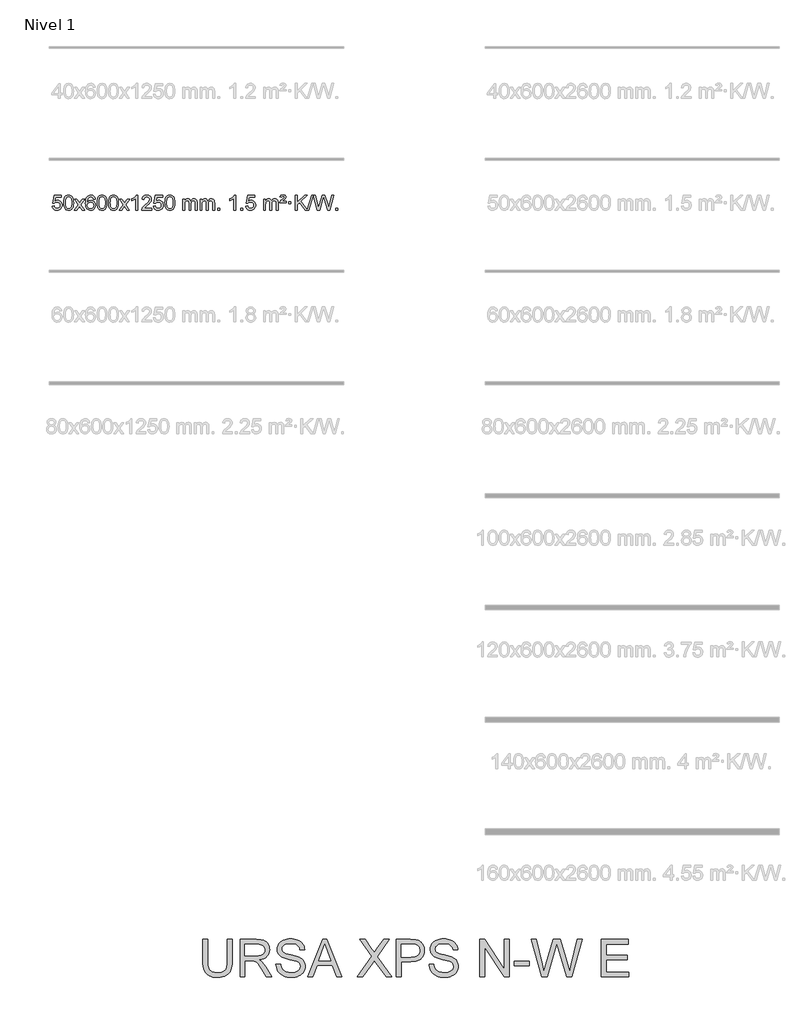
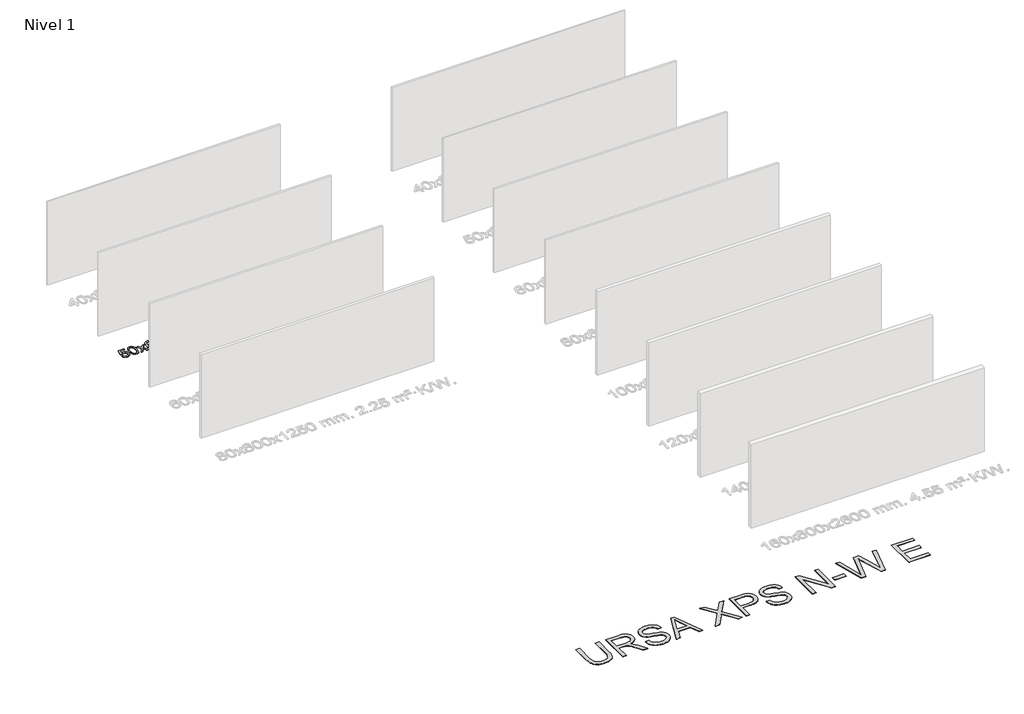
# One storey, part 3 of 12: 2 proxies.
"""IFC4 building model written with IfcOpenShell, lengths in millimetres."""

from ifc_helpers import new_model, si_unit, origin, origin_with_axes, place, context, project, spatial, polyline, outline, extrude, element, save

model = new_model("IFC4")

# Units and contexts
model_context = context("Model", 3, world=origin())
ifc_project = project(units=[si_unit("LENGTHUNIT", "METRE", prefix="MILLI")], contexts=[model_context])

# Site, building, storey
site = spatial("IfcSite", under=ifc_project)
building = spatial("IfcBuilding", under=site)
storey = spatial("IfcBuildingStorey", under=building, Name="Nivel 1", Elevation=0.0)

# Proxies
placement = place(None, origin())
element("IfcBuildingElementProxy", 1, Name="Texto de modelo 1", ObjectType="Texto de modelo 1", at=placement, inside=storey, context=model_context, shape_type="SweptSolid", body=[
    extrude(outline(polyline([(-6456.1697105, -284.8446235), (-6405.9415554, -278.5661041), (-6396.71998, -308.7201649), (-6380.6312741, -330.3148381), (-6357.749014, -343.3010725), (-6328.1467761, -347.6298173), (-6309.0169124, -346.1245668), (-6292.1433915, -341.6088153), (-6277.5262136, -334.0825628), (-6265.1653786, -323.5458094), (-6255.3367979, -310.519721), (-6248.3163832, -295.5254641), (-6242.7000514, -259.6324441), (-6247.9607639, -225.8363514), (-6254.5366546, -211.9181493), (-6263.7429015, -199.9865099), (-6275.6101615, -190.4154467), (-6290.1690915, -183.5789729), (-6327.3619612, -178.1097939), (-6351.728012, -180.2925604), (-6371.4587497, -186.8408599), (-6387.2163618, -196.8717757), (-6399.663036, -209.5023908), (-6449.8911911, -203.2238715), (-6405.9415554, 3.9672682), (-6211.3074545, 3.9672682), (-6211.3074545, -46.2608869), (-6365.3273831, -46.2608869), (-6386.8116916, -156.919791), (-6369.0859108, -144.2155994), (-6350.9309344, -135.1411769), (-6332.3467623, -129.6965234), (-6313.3333945, -127.8816388), (-6288.8723075, -130.1318504), (-6266.4039146, -136.882485), (-6245.9282159, -148.1335427), (-6227.4452113, -163.8850234), (-6212.144386, -183.1743027), (-6201.2152251, -205.038756), (-6194.6577285, -229.4783832), (-6192.4718963, -256.4931844), (-6194.440065, -282.5147042), (-6200.344571, -306.7213394), (-6210.1854144, -329.1130902), (-6223.9625951, -349.6899565), (-6244.833767, -370.7634634), (-6269.187555, -385.8159684), (-6297.0239593, -394.8474714), (-6328.3429799, -397.8579724), (-6354.2633321, -395.9235262), (-6377.6759554, -390.1201877), (-6398.5808498, -380.447957), (-6416.9780152, -366.9068338), (-6432.2849719, -350.1712688), (-6443.91924, -330.915712), (-6451.8808195, -309.1401636), (-6456.1697105, -284.8446235)])), origin_with_axes(), (0.0, 0.0, 1.0), 10.0),
    extrude(outline(polyline([(-6148.5222606, -193.9041943), (-6144.8311779, -129.5861588), (-6133.7579299, -78.2911459), (-6115.4128811, -39.2343407), (-6103.5548181, -24.0009605), (-6089.9063961, -11.6309284), (-6074.4216298, -2.0598651), (-6057.0545339, 4.7766086), (-6016.6733536, 10.2457876), (-5985.722215, 7.008426), (-5958.0084381, -2.7036586), (-5934.8318724, -18.5103217), (-5917.4923677, -40.0314184), (-5904.3957686, -67.0830078), (-5893.94792, -99.4811488), (-5887.1053149, -140.6226186), (-5884.8244465, -193.9041943), (-5888.478741, -257.8543477), (-5899.4416244, -309.0267333), (-5917.6763087, -348.1203266), (-5929.5067805, -363.3996922), (-5943.1460055, -375.8341036), (-5958.6491659, -385.4695462), (-5976.071444, -392.3520052), (-6016.6733536, -397.8579724), (-6044.3380796, -395.4667394), (-6068.8635459, -388.2930405), (-6090.2497526, -376.3368757), (-6108.4966996, -359.5982449), (-6126.0078825, -329.3399508), (-6138.5158704, -291.6381776), (-6146.0206631, -246.4929255), (-6148.5222606, -193.9041943)]), holes=[polyline([(-6098.2941056, -193.8060924), (-6096.8225776, -237.4706195), (-6092.4079936, -272.8148822), (-6085.0503537, -299.8388804), (-6074.7496579, -318.5426142), (-6062.290721, -331.2682656), (-6048.4583579, -340.3580165), (-6033.2525688, -345.8118671), (-6016.6733536, -347.6298173), (-6000.0941383, -345.8057357), (-5984.8883492, -340.3334911), (-5971.0559862, -331.2130833), (-5958.5970493, -318.4445124), (-5948.2963534, -299.7101217), (-5940.9387135, -272.6922549), (-5936.5241295, -237.3909118), (-5935.0526016, -193.8060924), (-5936.4750786, -151.2973278), (-5940.7425098, -116.5753989), (-5947.854895, -89.6403055), (-5957.8122343, -70.4920476), (-5970.0627048, -57.1440625), (-5984.0544833, -47.6097875), (-5999.78757, -41.8892225), (-6017.2619648, -39.9823675), (-6033.7553409, -41.6623619), (-6048.7036126, -46.7023452), (-6062.10678, -55.1023175), (-6073.9648429, -66.8622786), (-6084.6088953, -87.708925), (-6092.2117899, -115.8151094), (-6096.7735266, -151.1808319), (-6098.2941056, -193.8060924)])]), origin_with_axes(), (0.0, 0.0, 1.0), 10.0),
    extrude(outline(polyline([(-5859.7103689, -391.579453), (-5752.3869282, -243.2494325), (-5853.4318496, -96.4890419), (-5793.0011005, -96.4890419), (-5744.2444734, -167.122385), (-5721.4848406, -200.4770192), (-5701.7663657, -173.2047007), (-5646.2407099, -96.4890419), (-5585.8099608, -96.4890419), (-5691.9561791, -243.2494325), (-5589.7340354, -391.579453), (-5650.1647845, -391.579453), (-5711.6746541, -302.4048574), (-5722.9563686, -286.1199477), (-5799.2796199, -391.579453), (-5859.7103689, -391.579453)])), origin_with_axes(), (0.0, 0.0, 1.0), 10.0),
    extrude(outline(polyline([(-5300.9221437, -96.4890419), (-5351.1502988, -102.7675613), (-5359.2437027, -77.874213), (-5370.1820607, -60.8780648), (-5392.9662189, -45.2062918), (-5420.5083176, -39.9823675), (-5443.8565616, -43.0235253), (-5465.8313794, -52.1469988), (-5484.7037258, -71.3627017), (-5500.1179814, -97.8134171), (-5510.5290419, -135.227016), (-5514.3918028, -187.3313693), (-5494.2441322, -163.8237098), (-5470.0988106, -147.2567573), (-5443.3047386, -137.434308), (-5415.2108169, -134.1601582), (-5391.077758, -136.398107), (-5368.8086346, -143.1119534), (-5348.4034466, -154.3016975), (-5329.862194, -169.9673391), (-5314.4540698, -189.1769106), (-5303.4482668, -210.9984443), (-5296.844785, -235.4319401), (-5294.6436244, -262.4773982), (-5298.7884282, -298.4439945), (-5311.2228396, -331.786366), (-5330.9167891, -360.0642287), (-5356.840207, -380.8372987), (-5387.815871, -393.602804), (-5422.6665587, -397.8579724), (-5452.6090874, -395.0375437), (-5479.6514797, -386.5762579), (-5503.7937357, -372.4741147), (-5525.0358552, -352.7311143), (-5542.3539001, -326.5133908), (-5554.7239322, -292.9870783), (-5562.1459515, -252.1521768), (-5564.6199579, -204.0086864), (-5561.8731057, -150.0342663), (-5553.632549, -103.9693092), (-5539.8982878, -65.8138149), (-5520.6703222, -35.5677835), (-5499.8298072, -15.5243462), (-5475.6660915, -1.2076052), (-5448.179175, 7.3824394), (-5417.3690579, 10.2457876), (-5394.2354118, 8.4738227), (-5373.2967949, 3.1579278), (-5354.5532073, -5.7018969), (-5338.0046489, -18.1056515), (-5324.0987094, -33.6364031), (-5313.2829788, -51.8772186), (-5305.5574569, -72.8280983), (-5300.9221437, -96.4890419)]), holes=[polyline([(-5514.3918028, -261.6925832), (-5511.485535, -283.9494439), (-5502.7667318, -305.2007605), (-5489.2286743, -323.472233), (-5471.8646442, -336.7895612), (-5450.9076332, -344.9197533), (-5426.5906333, -347.6298173), (-5393.4444655, -342.0134855), (-5379.5293291, -334.9930708), (-5367.3861575, -325.1644901), (-5357.5361171, -312.9262824), (-5350.500374, -298.6769865), (-5344.8717794, -264.1451299), (-5350.4267976, -230.9989621), (-5357.3705702, -217.3781312), (-5367.0918519, -205.725469), (-5379.2718117, -196.3904634), (-5393.5916183, -189.7226022), (-5428.6507725, -184.3883133), (-5461.7478893, -189.7226022), (-5489.4248781, -205.725469), (-5500.3479076, -217.2248471), (-5508.1500716, -230.3858254), (-5512.83137, -245.2084042), (-5514.3918028, -261.6925832)])]), origin_with_axes(), (0.0, 0.0, 1.0), 10.0),
    extrude(outline(polyline([(-5250.6939887, -193.9041943), (-5247.002906, -129.5861588), (-5235.9296579, -78.2911459), (-5217.5846091, -39.2343407), (-5205.7265461, -24.0009605), (-5192.0781241, -11.6309284), (-5176.5933578, -2.0598651), (-5159.2262619, 4.7766086), (-5118.8450816, 10.2457876), (-5087.8939431, 7.008426), (-5060.1801661, -2.7036586), (-5037.0036004, -18.5103217), (-5019.6640957, -40.0314184), (-5006.5674967, -67.0830078), (-4996.119648, -99.4811488), (-4989.2770429, -140.6226186), (-4986.9961745, -193.9041943), (-4990.650469, -257.8543477), (-5001.6133525, -309.0267333), (-5019.8480367, -348.1203266), (-5031.6785085, -363.3996922), (-5045.3177335, -375.8341036), (-5060.8208939, -385.4695462), (-5078.2431721, -392.3520052), (-5118.8450816, -397.8579724), (-5146.5098076, -395.4667394), (-5171.035274, -388.2930405), (-5192.4214806, -376.3368757), (-5210.6684276, -359.5982449), (-5228.1796106, -329.3399508), (-5240.6875984, -291.6381776), (-5248.1923911, -246.4929255), (-5250.6939887, -193.9041943)]), holes=[polyline([(-5200.4658336, -193.8060924), (-5198.9943056, -237.4706195), (-5194.5797217, -272.8148822), (-5187.2220818, -299.8388804), (-5176.9213859, -318.5426142), (-5164.462449, -331.2682656), (-5150.630086, -340.3580165), (-5135.4242968, -345.8118671), (-5118.8450816, -347.6298173), (-5102.2658663, -345.8057357), (-5087.0600772, -340.3334911), (-5073.2277142, -331.2130833), (-5060.7687773, -318.4445124), (-5050.4680814, -299.7101217), (-5043.1104415, -272.6922549), (-5038.6958576, -237.3909118), (-5037.2243296, -193.8060924), (-5038.6468066, -151.2973278), (-5042.9142378, -116.5753989), (-5050.026623, -89.6403055), (-5059.9839624, -70.4920476), (-5072.2344328, -57.1440625), (-5086.2262114, -47.6097875), (-5101.959298, -41.8892225), (-5119.4336928, -39.9823675), (-5135.9270689, -41.6623619), (-5150.8753406, -46.7023452), (-5164.278508, -55.1023175), (-5176.136571, -66.8622786), (-5186.7806234, -87.708925), (-5194.3835179, -115.8151094), (-5198.9452547, -151.1808319), (-5200.4658336, -193.8060924)])]), origin_with_axes(), (0.0, 0.0, 1.0), 10.0),
    extrude(outline(polyline([(-4943.0465388, -193.9041943), (-4939.3554561, -129.5861588), (-4928.2822081, -78.2911459), (-4909.9371593, -39.2343407), (-4898.0790963, -24.0009605), (-4884.4306743, -11.6309284), (-4868.945908, -2.0598651), (-4851.5788121, 4.7766086), (-4811.1976318, 10.2457876), (-4780.2464932, 7.008426), (-4752.5327163, -2.7036586), (-4729.3561506, -18.5103217), (-4712.0166459, -40.0314184), (-4698.9200468, -67.0830078), (-4688.4721982, -99.4811488), (-4681.6295931, -140.6226186), (-4679.3487247, -193.9041943), (-4683.0030192, -257.8543477), (-4693.9659026, -309.0267333), (-4712.2005869, -348.1203266), (-4724.0310587, -363.3996922), (-4737.6702837, -375.8341036), (-4753.1734441, -385.4695462), (-4770.5957222, -392.3520052), (-4811.1976318, -397.8579724), (-4838.8623578, -395.4667394), (-4863.3878241, -388.2930405), (-4884.7740308, -376.3368757), (-4903.0209778, -359.5982449), (-4920.5321607, -329.3399508), (-4933.0401486, -291.6381776), (-4940.5449413, -246.4929255), (-4943.0465388, -193.9041943)]), holes=[polyline([(-4892.8183838, -193.8060924), (-4891.3468558, -237.4706195), (-4886.9322718, -272.8148822), (-4879.5746319, -299.8388804), (-4869.2739361, -318.5426142), (-4856.8149992, -331.2682656), (-4842.9826361, -340.3580165), (-4827.776847, -345.8118671), (-4811.1976318, -347.6298173), (-4794.6184165, -345.8057357), (-4779.4126274, -340.3334911), (-4765.5802644, -331.2130833), (-4753.1213275, -318.4445124), (-4742.8206316, -299.7101217), (-4735.4629917, -272.6922549), (-4731.0484077, -237.3909118), (-4729.5768798, -193.8060924), (-4730.9993568, -151.2973278), (-4735.266788, -116.5753989), (-4742.3791732, -89.6403055), (-4752.3365125, -70.4920476), (-4764.586983, -57.1440625), (-4778.5787615, -47.6097875), (-4794.3118482, -41.8892225), (-4811.786243, -39.9823675), (-4828.2796191, -41.6623619), (-4843.2278908, -46.7023452), (-4856.6310582, -55.1023175), (-4868.4891211, -66.8622786), (-4879.1331735, -87.708925), (-4886.7360681, -115.8151094), (-4891.2978048, -151.1808319), (-4892.8183838, -193.8060924)])]), origin_with_axes(), (0.0, 0.0, 1.0), 10.0),
    extrude(outline(polyline([(-4654.2346472, -391.579453), (-4546.9112064, -243.2494325), (-4647.9561278, -96.4890419), (-4587.5253787, -96.4890419), (-4538.7687516, -167.122385), (-4516.0091188, -200.4770192), (-4496.2906439, -173.2047007), (-4440.7649881, -96.4890419), (-4380.334239, -96.4890419), (-4486.4804574, -243.2494325), (-4384.2583136, -391.579453), (-4444.6890627, -391.579453), (-4506.1989323, -302.4048574), (-4517.4806468, -286.1199477), (-4593.8038981, -391.579453), (-4654.2346472, -391.579453)])), origin_with_axes(), (0.0, 0.0, 1.0), 10.0),
    extrude(outline(polyline([(-4164.5101352, -391.579453), (-4214.7382902, -391.579453), (-4214.7382902, -78.4382987), (-4235.707564, -95.3976587), (-4262.317695, -112.3324932), (-4315.1946004, -137.6918254), (-4315.1946004, -90.2105225), (-4275.7453878, -68.7507395), (-4241.5691504, -43.219729), (-4214.6279257, -16.0700378), (-4196.8837508, 10.2457876), (-4164.5101352, 10.2457876), (-4164.5101352, -391.579453)])), origin_with_axes(), (0.0, 0.0, 1.0), 10.0),
    extrude(outline(polyline([(-3787.7989721, -341.3512979), (-3787.7989721, -391.579453), (-4051.4967863, -391.579453), (-4050.3931403, -373.8965918), (-4046.1011837, -356.9494945), (-4033.7158232, -329.8856424), (-4015.5915035, -303.6311307), (-3989.37378, -276.1503456), (-3952.7082078, -245.4076736), (-3898.5069272, -197.2641831), (-3865.9861588, -161.7267824), (-3849.7257746, -132.884834), (-3844.3056466, -104.8277005), (-3849.4192063, -79.6768347), (-3864.7598855, -58.7688747), (-3888.3411214, -44.6789943), (-3918.1763512, -39.9823675), (-3949.5076345, -44.5686297), (-3973.8491598, -58.3274163), (-3989.557721, -80.1796068), (-3994.9901118, -109.0460807), (-4045.2182669, -102.7675613), (-4040.8987191, -76.838012), (-4033.0413728, -54.1826125), (-4021.646228, -34.8013627), (-4006.7132847, -18.6942627), (-3988.5858994, -6.0329907), (-3967.6074286, 3.010775), (-3943.7778724, 8.4370345), (-3917.0972307, 10.2457876), (-3890.1774657, 8.2346994), (-3866.2191508, 2.2014346), (-3845.2222859, -7.8540066), (-3827.1868711, -21.9316242), (-3812.7015175, -38.9890861), (-3802.3548364, -57.9840598), (-3796.1468277, -78.9165453), (-3794.0774915, -101.7865427), (-3796.3093089, -125.8092369), (-3803.0047612, -149.4149983), (-3814.8873497, -173.4254299), (-3832.6805755, -198.6621347), (-3861.0442774, -228.7916701), (-3904.6382938, -267.4805933), (-3962.4202925, -315.795762), (-3985.0818234, -341.3512979), (-3787.7989721, -341.3512979)])), origin_with_axes(), (0.0, 0.0, 1.0), 10.0),
    extrude(outline(polyline([(-3737.570817, -284.8446235), (-3687.342662, -278.5661041), (-3678.1210866, -308.7201649), (-3662.0323807, -330.3148381), (-3639.1501206, -343.3010725), (-3609.5478827, -347.6298173), (-3590.418019, -346.1245668), (-3573.5444981, -341.6088153), (-3558.9273202, -334.0825628), (-3546.5664851, -323.5458094), (-3536.7379045, -310.519721), (-3529.7174898, -295.5254641), (-3524.101158, -259.6324441), (-3529.3618705, -225.8363514), (-3535.9377612, -211.9181493), (-3545.1440081, -199.9865099), (-3557.0112681, -190.4154467), (-3571.5701981, -183.5789729), (-3608.7630678, -178.1097939), (-3633.1291186, -180.2925604), (-3652.8598563, -186.8408599), (-3668.6174684, -196.8717757), (-3681.0641426, -209.5023908), (-3731.2922977, -203.2238715), (-3687.342662, 3.9672682), (-3492.708561, 3.9672682), (-3492.708561, -46.2608869), (-3646.7284897, -46.2608869), (-3668.2127982, -156.919791), (-3650.4870174, -144.2155994), (-3632.332041, -135.1411769), (-3613.7478688, -129.6965234), (-3594.734501, -127.8816388), (-3570.273414, -130.1318504), (-3547.8050212, -136.882485), (-3527.3293225, -148.1335427), (-3508.8463179, -163.8850234), (-3493.5454926, -183.1743027), (-3482.6163316, -205.038756), (-3476.0588351, -229.4783832), (-3473.8730029, -256.4931844), (-3475.8411716, -282.5147042), (-3481.7456776, -306.7213394), (-3491.586521, -329.1130902), (-3505.3637017, -349.6899565), (-3526.2348735, -370.7634634), (-3550.5886616, -385.8159684), (-3578.4250659, -394.8474714), (-3609.7440864, -397.8579724), (-3635.6644387, -395.9235262), (-3659.077062, -390.1201877), (-3679.9819564, -380.447957), (-3698.3791218, -366.9068338), (-3713.6860785, -350.1712688), (-3725.3203466, -330.915712), (-3733.2819261, -309.1401636), (-3737.570817, -284.8446235)])), origin_with_axes(), (0.0, 0.0, 1.0), 10.0),
    extrude(outline(polyline([(-3429.9233672, -193.9041943), (-3426.2322845, -129.5861588), (-3415.1590365, -78.2911459), (-3396.8139876, -39.2343407), (-3384.9559247, -24.0009605), (-3371.3075026, -11.6309284), (-3355.8227363, -2.0598651), (-3338.4556405, 4.7766086), (-3298.0744601, 10.2457876), (-3267.1233216, 7.008426), (-3239.4095446, -2.7036586), (-3216.2329789, -18.5103217), (-3198.8934742, -40.0314184), (-3185.7968752, -67.0830078), (-3175.3490265, -99.4811488), (-3168.5064214, -140.6226186), (-3166.2255531, -193.9041943), (-3169.8798475, -257.8543477), (-3180.842731, -309.0267333), (-3199.0774152, -348.1203266), (-3210.9078871, -363.3996922), (-3224.547112, -375.8341036), (-3240.0502724, -385.4695462), (-3257.4725506, -392.3520052), (-3298.0744601, -397.8579724), (-3325.7391862, -395.4667394), (-3350.2646525, -388.2930405), (-3371.6508592, -376.3368757), (-3389.8978061, -359.5982449), (-3407.4089891, -329.3399508), (-3419.9169769, -291.6381776), (-3427.4217696, -246.4929255), (-3429.9233672, -193.9041943)]), holes=[polyline([(-3379.6952121, -193.8060924), (-3378.2236842, -237.4706195), (-3373.8091002, -272.8148822), (-3366.4514603, -299.8388804), (-3356.1507644, -318.5426142), (-3343.6918275, -331.2682656), (-3329.8594645, -340.3580165), (-3314.6536754, -345.8118671), (-3298.0744601, -347.6298173), (-3281.4952449, -345.8057357), (-3266.2894558, -340.3334911), (-3252.4570927, -331.2130833), (-3239.9981558, -318.4445124), (-3229.69746, -299.7101217), (-3222.3398201, -272.6922549), (-3217.9252361, -237.3909118), (-3216.4537081, -193.8060924), (-3217.8761852, -151.2973278), (-3222.1436163, -116.5753989), (-3229.2560016, -89.6403055), (-3239.2133409, -70.4920476), (-3251.4638113, -57.1440625), (-3265.4555899, -47.6097875), (-3281.1886766, -41.8892225), (-3298.6630713, -39.9823675), (-3315.1564474, -41.6623619), (-3330.1047192, -46.7023452), (-3343.5078865, -55.1023175), (-3355.3659495, -66.8622786), (-3366.0100019, -87.708925), (-3373.6128965, -115.8151094), (-3378.1746332, -151.1808319), (-3379.6952121, -193.8060924)])]), origin_with_axes(), (0.0, 0.0, 1.0), 10.0),
    extrude(outline(polyline([(-2952.755894, -391.579453), (-2952.755894, -96.4890419), (-2902.5277389, -96.4890419), (-2902.5277389, -145.0494653), (-2887.4200517, -122.7435537), (-2867.9958823, -105.2691589), (-2844.9174185, -93.9751816), (-2818.8468478, -90.2105225), (-2790.9123416, -94.048758), (-2768.5205908, -105.5634645), (-2751.7942228, -123.9943524), (-2740.8558648, -148.5811324), (-2722.5476041, -123.0439906), (-2701.6641696, -104.803175), (-2678.205561, -93.8586857), (-2652.1717785, -90.2105225), (-2632.0639617, -91.7280358), (-2614.414823, -96.2805755), (-2599.2243623, -103.8681416), (-2586.4925796, -114.4907342), (-2576.4279413, -128.2709806), (-2569.238914, -145.3315082), (-2564.9254976, -165.6723168), (-2563.4876922, -189.2934066), (-2563.4876922, -391.579453), (-2613.7158472, -391.579453), (-2613.7158472, -210.875817), (-2614.8808069, -185.8230531), (-2618.3756858, -168.9372695), (-2624.9239854, -157.3735121), (-2635.2492067, -148.2868268), (-2648.5297467, -142.4007149), (-2663.9440023, -140.4386776), (-2691.1550072, -145.4663982), (-2713.3382915, -160.54956), (-2721.9436645, -172.1194488), (-2728.0903595, -186.7182326), (-2733.0077155, -225.0024856), (-2733.0077155, -391.579453), (-2783.2358706, -391.579453), (-2783.2358706, -205.2840106), (-2786.1421384, -176.8835206), (-2794.8609417, -156.6254854), (-2810.2016209, -144.4853796), (-2832.9735164, -140.4386776), (-2852.3241093, -143.1364789), (-2870.1541233, -151.2298828), (-2884.8694032, -164.5226856), (-2894.8757934, -182.8186835), (-2900.6147525, -208.2025411), (-2902.5277389, -242.7589232), (-2902.5277389, -391.579453), (-2952.755894, -391.579453)])), origin_with_axes(), (0.0, 0.0, 1.0), 10.0),
    extrude(outline(polyline([(-2488.1454596, -391.579453), (-2488.1454596, -96.4890419), (-2437.9173045, -96.4890419), (-2437.9173045, -145.0494653), (-2422.8096172, -122.7435537), (-2403.3854479, -105.2691589), (-2380.306984, -93.9751816), (-2354.2364133, -90.2105225), (-2326.3019071, -94.048758), (-2303.9101564, -105.5634645), (-2287.1837883, -123.9943524), (-2276.2454303, -148.5811324), (-2257.9371697, -123.0439906), (-2237.0537351, -104.803175), (-2213.5951266, -93.8586857), (-2187.561344, -90.2105225), (-2167.4535273, -91.7280358), (-2149.8043886, -96.2805755), (-2134.6139279, -103.8681416), (-2121.8821452, -114.4907342), (-2111.8175069, -128.2709806), (-2104.6284796, -145.3315082), (-2100.3150632, -165.6723168), (-2098.8772577, -189.2934066), (-2098.8772577, -391.579453), (-2149.1054128, -391.579453), (-2149.1054128, -210.875817), (-2150.2703724, -185.8230531), (-2153.7652514, -168.9372695), (-2160.3135509, -157.3735121), (-2170.6387722, -148.2868268), (-2183.9193123, -142.4007149), (-2199.3335679, -140.4386776), (-2226.5445728, -145.4663982), (-2248.7278571, -160.54956), (-2257.3332301, -172.1194488), (-2263.4799251, -186.7182326), (-2268.3972811, -225.0024856), (-2268.3972811, -391.579453), (-2318.6254362, -391.579453), (-2318.6254362, -205.2840106), (-2321.5317039, -176.8835206), (-2330.2505072, -156.6254854), (-2345.5911864, -144.4853796), (-2368.3630819, -140.4386776), (-2387.7136749, -143.1364789), (-2405.5436889, -151.2298828), (-2420.2589687, -164.5226856), (-2430.265359, -182.8186835), (-2436.0043181, -208.2025411), (-2437.9173045, -242.7589232), (-2437.9173045, -391.579453), (-2488.1454596, -391.579453)])), origin_with_axes(), (0.0, 0.0, 1.0), 10.0),
    extrude(outline(polyline([(-2010.9779863, -391.579453), (-2010.9779863, -341.3512979), (-1960.7498313, -341.3512979), (-1960.7498313, -391.579453), (-2010.9779863, -391.579453)])), origin_with_axes(), (0.0, 0.0, 1.0), 10.0),
    extrude(outline(polyline([(-1533.8105131, -391.579453), (-1584.0386682, -391.579453), (-1584.0386682, -78.4382987), (-1605.0079419, -95.3976587), (-1631.6180729, -112.3324932), (-1684.4949784, -137.6918254), (-1684.4949784, -90.2105225), (-1645.0457657, -68.7507395), (-1610.8695284, -43.219729), (-1583.9283036, -16.0700378), (-1566.1841287, 10.2457876), (-1533.8105131, 10.2457876), (-1533.8105131, -391.579453)])), origin_with_axes(), (0.0, 0.0, 1.0), 10.0),
    extrude(outline(polyline([(-1389.4045673, -391.579453), (-1389.4045673, -341.3512979), (-1339.1764122, -341.3512979), (-1339.1764122, -391.579453), (-1389.4045673, -391.579453)])), origin_with_axes(), (0.0, 0.0, 1.0), 10.0),
    extrude(outline(polyline([(-1257.5556602, -284.8446235), (-1207.3275051, -278.5661041), (-1198.1059298, -308.7201649), (-1182.0172239, -330.3148381), (-1159.1349638, -343.3010725), (-1129.5327259, -347.6298173), (-1110.4028621, -346.1245668), (-1093.5293413, -341.6088153), (-1078.9121634, -334.0825628), (-1066.5513283, -323.5458094), (-1056.7227477, -310.519721), (-1049.7023329, -295.5254641), (-1044.0860012, -259.6324441), (-1049.3467137, -225.8363514), (-1055.9226043, -211.9181493), (-1065.1288513, -199.9865099), (-1076.9961113, -190.4154467), (-1091.5550413, -183.5789729), (-1128.747911, -178.1097939), (-1153.1139618, -180.2925604), (-1172.8446995, -186.8408599), (-1188.6023116, -196.8717757), (-1201.0489858, -209.5023908), (-1251.2771408, -203.2238715), (-1207.3275051, 3.9672682), (-1012.6934042, 3.9672682), (-1012.6934042, -46.2608869), (-1166.7133329, -46.2608869), (-1188.1976414, -156.919791), (-1170.4718606, -144.2155994), (-1152.3168841, -135.1411769), (-1133.732712, -129.6965234), (-1114.7193442, -127.8816388), (-1090.2582572, -130.1318504), (-1067.7898644, -136.882485), (-1047.3141657, -148.1335427), (-1028.8311611, -163.8850234), (-1013.5303358, -183.1743027), (-1002.6011748, -205.038756), (-996.0436783, -229.4783832), (-993.8578461, -256.4931844), (-995.8260148, -282.5147042), (-1001.7305208, -306.7213394), (-1011.5713641, -329.1130902), (-1025.3485449, -349.6899565), (-1046.2197167, -370.7634634), (-1070.5735048, -385.8159684), (-1098.4099091, -394.8474714), (-1129.7289296, -397.8579724), (-1155.6492819, -395.9235262), (-1179.0619052, -390.1201877), (-1199.9667996, -380.447957), (-1218.363965, -366.9068338), (-1233.6709217, -350.1712688), (-1245.3051898, -330.915712), (-1253.2667693, -309.1401636), (-1257.5556602, -284.8446235)])), origin_with_axes(), (0.0, 0.0, 1.0), 10.0),
    extrude(outline(polyline([(-780.388187, -391.579453), (-780.388187, -96.4890419), (-730.1600319, -96.4890419), (-730.1600319, -145.0494653), (-715.0523447, -122.7435537), (-695.6281753, -105.2691589), (-672.5497115, -93.9751816), (-646.4791408, -90.2105225), (-618.5446346, -94.048758), (-596.1528838, -105.5634645), (-579.4265158, -123.9943524), (-568.4881578, -148.5811324), (-550.1798972, -123.0439906), (-529.2964626, -104.803175), (-505.837854, -93.8586857), (-479.8040715, -90.2105225), (-459.6962548, -91.7280358), (-442.047116, -96.2805755), (-426.8566553, -103.8681416), (-414.1248726, -114.4907342), (-404.0602344, -128.2709806), (-396.871207, -145.3315082), (-392.5577906, -165.6723168), (-391.1199852, -189.2934066), (-391.1199852, -391.579453), (-441.3481403, -391.579453), (-441.3481403, -210.875817), (-442.5130999, -185.8230531), (-446.0079789, -168.9372695), (-452.5562784, -157.3735121), (-462.8814997, -148.2868268), (-476.1620397, -142.4007149), (-491.5762953, -140.4386776), (-518.7873002, -145.4663982), (-540.9705845, -160.54956), (-549.5759576, -172.1194488), (-555.7226526, -186.7182326), (-560.6400086, -225.0024856), (-560.6400086, -391.579453), (-610.8681636, -391.579453), (-610.8681636, -205.2840106), (-613.7744314, -176.8835206), (-622.4932347, -156.6254854), (-637.8339139, -144.4853796), (-660.6058094, -140.4386776), (-679.9564023, -143.1364789), (-697.7864164, -151.2298828), (-712.5016962, -164.5226856), (-722.5080864, -182.8186835), (-728.2470456, -208.2025411), (-730.1600319, -242.7589232), (-730.1600319, -391.579453), (-780.388187, -391.579453)])), origin_with_axes(), (0.0, 0.0, 1.0), 10.0),
    extrude(outline(polyline([(-347.1703495, -190.6668327), (-343.3443767, -174.8479069), (-335.0057182, -158.9799302), (-313.4968842, -133.8413272), (-281.5402016, -106.1030247), (-237.3943621, -68.726214), (-230.2574514, -57.1992448), (-227.8784812, -45.3779701), (-229.7669421, -33.2869152), (-235.4323248, -23.5012541), (-244.801053, -17.026531), (-257.7995501, -14.8682899), (-270.2339616, -16.4869707), (-279.0876549, -21.343013), (-285.5133271, -30.8098431), (-290.663675, -46.2608869), (-340.8918301, -39.9823675), (-330.051574, -14.7701881), (-313.4233078, 2.7900458), (-289.6581309, 13.0907417), (-257.4071427, 16.524307), (-221.6244873, 12.3917659), (-196.8782917, -0.0058573), (-182.4573175, -18.3386434), (-177.6503261, -40.2766731), (-181.746079, -63.1834586), (-194.0333376, -84.8149199), (-214.561153, -104.6314968), (-251.0305214, -132.6886303), (-276.6351083, -159.2742358), (-177.6503261, -159.2742358), (-177.6503261, -190.6668327), (-347.1703495, -190.6668327)])), origin_with_axes(), (0.0, 0.0, 1.0), 10.0),
    extrude(outline(polyline([(-102.3080935, -215.7809102), (-102.3080935, -165.5527552), (-52.0799384, -165.5527552), (-52.0799384, -215.7809102), (-102.3080935, -215.7809102)])), origin_with_axes(), (0.0, 0.0, 1.0), 10.0),
    extrude(outline(polyline([(338.5616895, -391.579453), (185.1303721, -188.9009991), (117.440085, -253.4520265), (117.440085, -391.579453), (67.2119299, -391.579453), (67.2119299, 10.2457876), (117.440085, 10.2457876), (117.440085, -186.4484525), (323.4540023, 10.2457876), (393.6949379, 10.2457876), (220.7413492, -154.9577537), (395.3949591, -385.5349332), (506.7082868, 10.2457876), (552.0313486, 10.2457876), (439.0179997, -391.579453), (399.9734572, -391.579453), (393.6949379, -391.579453), (338.5616895, -391.579453)])), origin_with_axes(), (0.0, 0.0, 1.0), 10.0),
    extrude(outline(polyline([(666.5162255, -391.579453), (556.9364419, 10.2457876), (608.7342268, 10.2457876), (672.3042355, -253.844434), (691.9246086, -335.3670841), (712.9184078, -263.2622131), (792.5771225, 10.2457876), (867.2326421, 10.2457876), (925.1127426, -188.0180823), (949.9079891, -261.5944814), (968.1794615, -335.3670841), (987.2112234, -256.1988788), (1051.3698434, 10.2457876), (1103.1676283, 10.2457876), (993.4897428, -391.579453), (939.8280224, -391.579453), (843.4919906, -81.5775584), (830.0520351, -38.3146358), (814.9443478, -90.4067263), (727.1431783, -391.579453), (666.5162255, -391.579453)])), origin_with_axes(), (0.0, 0.0, 1.0), 10.0),
    extrude(outline(polyline([(1159.6743028, -391.579453), (1159.6743028, -341.3512979), (1209.9024578, -341.3512979), (1209.9024578, -391.579453), (1159.6743028, -391.579453)])), origin_with_axes(), (0.0, 0.0, 1.0), 10.0),
])
element("IfcBuildingElementProxy", 2, Name="Texto de modelo 2", ObjectType="Texto de modelo 2", at=placement, inside=storey, context=model_context, shape_type="SweptSolid", body=[
    extrude(outline(polyline([(-1751.1233615, -19981.8387308), (-1625.5529738, -19981.8387308), (-1625.5529738, -20561.3755006), (-1627.6836237, -20633.1354823), (-1634.0755734, -20697.0933), (-1644.7288228, -20753.2489537), (-1659.643372, -20801.6024434), (-1680.106808, -20843.985515), (-1707.4067177, -20882.229914), (-1741.5431012, -20916.3356407), (-1782.5159584, -20946.3026949), (-1830.3712746, -20970.7131981), (-1885.1550351, -20988.1492718), (-1946.8672398, -20998.6109161), (-2015.5078887, -21002.0981308), (-2082.4547476, -20999.0631043), (-2143.0096569, -20989.958025), (-2197.1726164, -20974.7828927), (-2244.9436264, -20953.5377074), (-2286.3303508, -20926.5367018), (-2321.340454, -20894.0941084), (-2349.973936, -20856.2099271), (-2372.2307967, -20812.8841579), (-2388.915778, -20762.6299446), (-2400.8336218, -20703.9604305), (-2407.9843281, -20636.8756159), (-2410.3678969, -20561.3755006), (-2410.3678969, -19981.8387308), (-2284.7975092, -19981.8387308), (-2284.7975092, -20556.9609166), (-2283.2493391, -20617.66911), (-2278.6048289, -20669.8087187), (-2270.8639786, -20713.3797425), (-2260.0267882, -20748.3821815), (-2245.4188073, -20777.3452244), (-2226.3655856, -20802.7980599), (-2202.8671232, -20824.7406881), (-2174.9234199, -20843.1731089), (-2143.0709705, -20857.7657614), (-2107.8462695, -20868.1890846), (-2069.2493168, -20874.4430785), (-2027.2801125, -20876.5277431), (-1958.0723122, -20872.4043991), (-1899.5637465, -20860.034367), (-1851.7544156, -20839.4176468), (-1831.8619631, -20826.0167788), (-1814.6443193, -20810.5542386), (-1799.7565948, -20792.1601389), (-1786.8539003, -20769.9645918), (-1767.003601, -20714.1691559), (-1755.0934214, -20643.1679308), (-1751.1233615, -20556.9609166), (-1751.1233615, -19981.8387308)])), origin_with_axes(), (0.0, 0.0, 1.0), 10.0),
    extrude(outline(polyline([(-1405.8047954, -20986.4018323), (-1405.8047954, -19981.8387308), (-972.9303144, -19981.8387308), (-910.7965782, -19983.5325209), (-856.5876334, -19988.6138909), (-810.3034799, -19997.082841), (-771.9441177, -20008.9393712), (-739.2792622, -20025.0955221), (-710.0786288, -20046.4633347), (-684.3422176, -20073.0428088), (-662.0700284, -20104.8339446), (-644.0974601, -20140.1276235), (-631.2599113, -20177.2147271), (-623.5573821, -20216.0952555), (-620.9898723, -20256.7692086), (-625.2435079, -20308.3646584), (-638.0044146, -20355.7294653), (-659.2725924, -20398.8636292), (-689.0480414, -20437.7671502), (-727.713972, -20471.1984265), (-775.6535944, -20497.9158564), (-832.8669089, -20517.9194399), (-899.3539153, -20531.209177), (-857.9671909, -20558.2485036), (-827.9848083, -20584.9199483), (-776.5426426, -20645.9270458), (-726.2041229, -20714.1691559), (-558.6951878, -20986.4018323), (-704.6217125, -20986.4018323), (-835.3424482, -20778.1806231), (-887.6430051, -20698.7181121), (-929.7654936, -20640.3475022), (-964.8675673, -20600.1563942), (-996.1068801, -20575.2323891), (-1025.6907238, -20560.6090798), (-1055.8263906, -20551.3200594), (-1128.6670257, -20546.9054754), (-1280.2344077, -20546.9054754), (-1280.2344077, -20986.4018323), (-1405.8047954, -20986.4018323)]), holes=[polyline([(-1280.2344077, -20421.3350877), (-999.1725634, -20421.3350877), (-918.4531222, -20416.889847), (-855.8212126, -20403.5541246), (-830.6366243, -20393.3300709), (-808.6710035, -20380.4388726), (-789.9243502, -20364.8805299), (-774.3966643, -20346.6550427), (-762.2182374, -20326.6591234), (-753.5193611, -20305.7894844), (-748.3000353, -20284.0461257), (-746.56026, -20261.4290472), (-749.8788622, -20229.3160147), (-759.8346687, -20200.176695), (-776.4276795, -20174.0110881), (-799.6578946, -20150.819194), (-830.0618087, -20131.827286), (-868.1759162, -20118.2616374), (-914.0002173, -20110.1222482), (-967.5347118, -20107.4091185), (-1280.2344077, -20107.4091185), (-1280.2344077, -20421.3350877)])]), origin_with_axes(), (0.0, 0.0, 1.0), 10.0),
    extrude(outline(polyline([(-448.3305892, -20641.0832662), (-322.7602016, -20641.0832662), (-317.0120454, -20677.6338753), (-308.3514901, -20710.7662475), (-296.7785356, -20740.4803828), (-282.2931821, -20766.7762812), (-264.1596654, -20790.1827732), (-241.6422216, -20811.228689), (-214.7408507, -20829.9140286), (-183.4555527, -20846.2387922), (-148.9359588, -20859.4902082), (-112.3317003, -20868.9555054), (-73.6427772, -20874.6346837), (-32.8691894, -20876.5277431), (37.0897034, -20870.7949154), (68.8041971, -20863.6288807), (98.3420556, -20853.5964321), (124.9751792, -20841.0577874), (147.9754681, -20826.3731644), (167.3429223, -20809.5425632), (183.0775418, -20790.5659836), (195.2559687, -20770.263496), (203.954845, -20749.4551706), (209.1741708, -20728.1410075), (210.9139461, -20706.3210067), (205.7022845, -20664.2904887), (190.0672997, -20627.9621417), (176.9155184, -20611.8443118), (158.3068208, -20596.9680836), (134.241207, -20583.3334572), (104.7186768, -20570.9404325), (38.4079472, -20551.2280889), (-78.1186748, -20522.9931457), (-198.1401757, -20491.2633237), (-241.9411257, -20475.9732282), (-274.9355422, -20461.0663432), (-308.4664532, -20441.0627597), (-337.4448245, -20418.8212274), (-361.8706562, -20394.3417463), (-381.7439481, -20367.6243164), (-397.1413425, -20338.9448492), (-408.1394813, -20308.5792562), (-414.7383646, -20276.5275374), (-416.9379923, -20242.7896928), (-414.2171984, -20205.3960208), (-406.0548166, -20169.2439506), (-392.450847, -20134.333482), (-373.4052896, -20100.6646153), (-349.1327421, -20069.6092435), (-319.8478024, -20042.53926), (-285.5504706, -20019.4546648), (-246.2407466, -20000.3554579), (-203.2445384, -19985.3872593), (-157.887754, -19974.6956888), (-110.1703936, -19968.2807465), (-60.092457, -19966.1424324), (-5.4619807, -19968.3803812), (45.8575576, -19975.0942276), (93.866158, -19986.2839716), (138.5638204, -20001.9496132), (179.1228104, -20021.9531967), (214.7153934, -20046.1567663), (245.3415695, -20074.560322), (271.0013387, -20107.1638639), (291.4954315, -20143.01703), (306.6245785, -20181.1694586), (316.3887798, -20221.6211496), (320.7880353, -20264.3721031), (195.2176477, -20264.3721031), (186.8176754, -20224.3036225), (172.1637093, -20189.4468035), (151.2557492, -20159.801646), (124.0937953, -20135.3681502), (90.1720096, -20116.2689432), (48.9845546, -20102.6266526), (0.5314301, -20094.4412782), (-55.1873637, -20091.7128201), (-112.6842539, -20094.4106214), (-161.8118287, -20102.5040253), (-202.570088, -20115.9930317), (-234.959032, -20134.8776408), (-259.6377825, -20157.5790256), (-277.2654615, -20182.5183592), (-287.8420688, -20209.6956416), (-291.3676046, -20239.1108728), (-288.8690727, -20264.4180884), (-281.3734771, -20287.3647278), (-268.8808177, -20307.9507911), (-251.3910945, -20326.1762783), (-223.8612585, -20343.4360753), (-180.5124968, -20360.8798132), (-121.3448092, -20378.5074921), (-46.3581958, -20396.3191121), (92.0880617, -20429.9803146), (140.8017692, -20445.2014322), (175.8425292, -20459.3495606), (214.3398472, -20480.7940152), (247.4262341, -20504.9056143), (275.1016901, -20531.6843579), (297.366215, -20561.1302459), (314.480392, -20593.0899942), (326.7048041, -20627.4103187), (334.0394514, -20664.0912193), (336.4843338, -20703.1326961), (333.6715694, -20742.4117632), (325.2332761, -20780.5411992), (311.169454, -20817.5210039), (291.4801031, -20853.3511774), (266.5101126, -20886.644498), (236.6043721, -20916.0137439), (201.7628815, -20941.4589153), (161.9856408, -20962.980012), (118.4299454, -20980.094189), (72.2530908, -20992.3186011), (23.4550769, -20999.6532484), (-27.9640961, -21002.0981308), (-92.1978253, -20999.4616432), (-150.9899666, -20991.5521803), (-204.3405201, -20978.3697421), (-252.2494858, -20959.9143287), (-295.0081035, -20936.1552832), (-332.9076133, -20907.0619487), (-365.9480149, -20872.6343253), (-394.1293086, -20832.872413), (-416.8306934, -20789.0637988), (-433.4313684, -20742.4960695), (-443.9313337, -20693.1692253), (-448.3305892, -20641.0832662)])), origin_with_axes(), (0.0, 0.0, 1.0), 10.0),
    extrude(outline(polyline([(407.8534409, -20986.4018323), (808.8448156, -19981.8387308), (915.7758489, -19981.8387308), (1316.7672236, -20986.4018323), (1184.0844507, -20986.4018323), (1069.0600135, -20672.4758631), (655.3153963, -20672.4758631), (540.5362138, -20986.4018323), (407.8534409, -20986.4018323)]), holes=[polyline([(701.423273, -20546.9054754), (1023.1973915, -20546.9054754), (932.6984207, -20299.9340293), (862.3103322, -20107.4091185), (799.7703931, -20278.351619), (701.423273, -20546.9054754)])]), origin_with_axes(), (0.0, 0.0, 1.0), 10.0),
    extrude(outline(polyline([(1733.4548968, -20986.4018323), (2120.7120104, -20438.9934235), (1796.2400907, -19981.8387308), (1946.826454, -19981.8387308), (2129.5411783, -20239.1108728), (2173.1351947, -20304.2872996), (2191.1000988, -20339.4200302), (2263.2049699, -20237.3940902), (2443.9576568, -19981.8387308), (2596.7513122, -19981.8387308), (2272.2793924, -20440.4649515), (2659.536506, -20986.4018323), (2508.9501427, -20986.4018323), (2250.9422367, -20622.4439118), (2197.2314654, -20546.9054754), (2138.1250915, -20629.8015517), (1886.2485522, -20986.4018323), (1733.4548968, -20986.4018323)])), origin_with_axes(), (0.0, 0.0, 1.0), 10.0),
    extrude(outline(polyline([(2785.1068937, -20986.4018323), (2785.1068937, -19981.8387308), (3157.4034728, -19981.8387308), (3244.1009963, -19984.2299638), (3307.4993269, -19991.4036627), (3342.4404522, -19998.9375794), (3374.4231931, -20009.2765963), (3403.4475497, -20022.4207134), (3429.5135219, -20038.3699308), (3452.8970212, -20057.4538093), (3473.8739592, -20080.0019099), (3492.4443357, -20106.0142326), (3508.6081509, -20135.4907775), (3521.6986185, -20167.45819), (3531.0489526, -20200.9431158), (3536.659153, -20235.9455548), (3538.5292198, -20272.465507), (3533.4785066, -20334.1317265), (3518.3263669, -20390.8621958), (3493.0728008, -20442.656915), (3457.7178082, -20489.5158842), (3435.4820241, -20510.3242095), (3409.1803775, -20528.3580915), (3378.8128684, -20543.6175301), (3344.3794969, -20556.1025253), (3305.8802629, -20565.8130771), (3263.3151664, -20572.7491856), (3165.987386, -20578.2980724), (2910.6772814, -20578.2980724), (2910.6772814, -20986.4018323), (2785.1068937, -20986.4018323)]), holes=[polyline([(2910.6772814, -20452.7276847), (3173.3450259, -20452.7276847), (3233.7389868, -20449.8459424), (3284.6906431, -20441.2007155), (3326.1999949, -20426.792004), (3358.2670422, -20406.6198079), (3382.1947003, -20381.2206219), (3399.2858846, -20351.1309403), (3409.5405953, -20316.3507634), (3412.9588321, -20276.880091), (3410.9431454, -20247.5721587), (3404.8960851, -20220.4715184), (3394.8176512, -20195.57817), (3380.7078439, -20172.8921137), (3363.3177554, -20153.1491133), (3343.3984782, -20137.0849328), (3320.9500123, -20124.6995723), (3295.9723577, -20115.9930317), (3247.5345616, -20109.5550968), (3170.40197, -20107.4091185), (2910.6772814, -20107.4091185), (2910.6772814, -20452.7276847)])]), origin_with_axes(), (0.0, 0.0, 1.0), 10.0),
    extrude(outline(polyline([(3664.0996075, -20641.0832662), (3789.6699952, -20641.0832662), (3795.4181514, -20677.6338753), (3804.0787067, -20710.7662475), (3815.6516611, -20740.4803828), (3830.1370147, -20766.7762812), (3848.2705313, -20790.1827732), (3870.7879751, -20811.228689), (3897.689346, -20829.9140286), (3928.974644, -20846.2387922), (3963.4942379, -20859.4902082), (4000.0984964, -20868.9555054), (4038.7874196, -20874.6346837), (4079.5610074, -20876.5277431), (4149.5199001, -20870.7949154), (4181.2343938, -20863.6288807), (4210.7722523, -20853.5964321), (4237.405376, -20841.0577874), (4260.4056649, -20826.3731644), (4279.7731191, -20809.5425632), (4295.5077386, -20790.5659836), (4307.6861654, -20770.263496), (4316.3850418, -20749.4551706), (4321.6043676, -20728.1410075), (4323.3441429, -20706.3210067), (4318.1324813, -20664.2904887), (4302.4974965, -20627.9621417), (4289.3457151, -20611.8443118), (4270.7370176, -20596.9680836), (4246.6714037, -20583.3334572), (4217.1488736, -20570.9404325), (4150.838144, -20551.2280889), (4034.311522, -20522.9931457), (3914.2900211, -20491.2633237), (3870.489071, -20475.9732282), (3837.4946546, -20461.0663432), (3803.9637435, -20441.0627597), (3774.9853722, -20418.8212274), (3750.5595406, -20394.3417463), (3730.6862486, -20367.6243164), (3715.2888543, -20338.9448492), (3704.2907155, -20308.5792562), (3697.6918322, -20276.5275374), (3695.4922044, -20242.7896928), (3698.2129984, -20205.3960208), (3706.3753801, -20169.2439506), (3719.9793497, -20134.333482), (3739.0249072, -20100.6646153), (3763.2974547, -20069.6092435), (3792.5823943, -20042.53926), (3826.8797262, -20019.4546648), (3866.1894502, -20000.3554579), (3909.1856584, -19985.3872593), (3954.5424427, -19974.6956888), (4002.2598032, -19968.2807465), (4052.3377398, -19966.1424324), (4106.968216, -19968.3803812), (4158.2877544, -19975.0942276), (4206.2963547, -19986.2839716), (4250.9940171, -20001.9496132), (4291.5530071, -20021.9531967), (4327.1455901, -20046.1567663), (4357.7717662, -20074.560322), (4383.4315354, -20107.1638639), (4403.9256282, -20143.01703), (4419.0547753, -20181.1694586), (4428.8189766, -20221.6211496), (4433.2182321, -20264.3721031), (4307.6478444, -20264.3721031), (4299.2478722, -20224.3036225), (4284.593906, -20189.4468035), (4263.685946, -20159.801646), (4236.523992, -20135.3681502), (4202.6022064, -20116.2689432), (4161.4147513, -20102.6266526), (4112.9616269, -20094.4412782), (4057.242833, -20091.7128201), (3999.7459429, -20094.4106214), (3950.6183681, -20102.5040253), (3909.8601087, -20115.9930317), (3877.4711647, -20134.8776408), (3852.7924142, -20157.5790256), (3835.1647353, -20182.5183592), (3824.5881279, -20209.6956416), (3821.0625921, -20239.1108728), (3823.561124, -20264.4180884), (3831.0567197, -20287.3647278), (3843.5493791, -20307.9507911), (3861.0391023, -20326.1762783), (3888.5689382, -20343.4360753), (3931.9177, -20360.8798132), (3991.0853876, -20378.5074921), (4066.0720009, -20396.3191121), (4204.5182584, -20429.9803146), (4253.231966, -20445.2014322), (4288.272726, -20459.3495606), (4326.7700439, -20480.7940152), (4359.8564309, -20504.9056143), (4387.5318868, -20531.6843579), (4409.7964117, -20561.1302459), (4426.9105887, -20593.0899942), (4439.1350008, -20627.4103187), (4446.4696481, -20664.0912193), (4448.9145306, -20703.1326961), (4446.1017661, -20742.4117632), (4437.6634729, -20780.5411992), (4423.5996508, -20817.5210039), (4403.9102998, -20853.3511774), (4378.9403094, -20886.644498), (4349.0345689, -20916.0137439), (4314.1930782, -20941.4589153), (4274.4158375, -20962.980012), (4230.8601421, -20980.094189), (4184.6832875, -20992.3186011), (4135.8852737, -20999.6532484), (4084.4661007, -21002.0981308), (4020.2323715, -20999.4616432), (3961.4402301, -20991.5521803), (3908.0896766, -20978.3697421), (3860.1807109, -20959.9143287), (3817.4220932, -20936.1552832), (3779.5225835, -20907.0619487), (3746.4821818, -20872.6343253), (3718.3008881, -20832.872413), (3695.5995033, -20789.0637988), (3678.9988283, -20742.4960695), (3668.498863, -20693.1692253), (3664.0996075, -20641.0832662)])), origin_with_axes(), (0.0, 0.0, 1.0), 10.0),
    extrude(outline(polyline([(5029.6775736, -20986.4018323), (5029.6775736, -19981.8387308), (5164.0771292, -19981.8387308), (5688.922109, -20777.6901137), (5688.922109, -19981.8387308), (5814.4924966, -19981.8387308), (5814.4924966, -20986.4018323), (5680.0929411, -20986.4018323), (5155.2479613, -20190.3051948), (5155.2479613, -20986.4018323), (5029.6775736, -20986.4018323)])), origin_with_axes(), (0.0, 0.0, 1.0), 10.0),
    extrude(outline(polyline([(5955.7591828, -20688.1721616), (5955.7591828, -20562.6017739), (6348.1666443, -20562.6017739), (6348.1666443, -20688.1721616), (5955.7591828, -20688.1721616)])), origin_with_axes(), (0.0, 0.0, 1.0), 10.0),
    extrude(outline(polyline([(6684.9012972, -20986.4018323), (6410.9518382, -19981.8387308), (6540.4463005, -19981.8387308), (6699.3713224, -20642.0642849), (6748.4222551, -20845.8709102), (6800.906753, -20665.6087325), (7000.0535398, -19981.8387308), (7186.6923387, -19981.8387308), (7331.3925901, -20477.4984057), (7364.4253276, -20569.4075908), (7393.3807063, -20661.4394033), (7418.2587262, -20753.5938431), (7439.0593873, -20845.8709102), (7486.6387921, -20647.9503968), (7647.035342, -19981.8387308), (7776.5298043, -19981.8387308), (7502.3350905, -20986.4018323), (7368.1807896, -20986.4018323), (7127.3407101, -20211.3970958), (7093.7408212, -20103.2397892), (7055.971603, -20233.4700155), (6836.4686792, -20986.4018323), (6684.9012972, -20986.4018323)])), origin_with_axes(), (0.0, 0.0, 1.0), 10.0),
    extrude(outline(polyline([(8294.5076535, -20986.4018323), (8294.5076535, -19981.8387308), (9016.5373827, -19981.8387308), (9016.5373827, -20107.4091185), (8420.0780412, -20107.4091185), (8420.0780412, -20405.6387893), (8985.1447857, -20405.6387893), (8985.1447857, -20531.209177), (8420.0780412, -20531.209177), (8420.0780412, -20860.8314446), (9032.2336811, -20860.8314446), (9032.2336811, -20986.4018323), (8294.5076535, -20986.4018323)])), origin_with_axes(), (0.0, 0.0, 1.0), 10.0),
])

save(model, "model.ifc")
